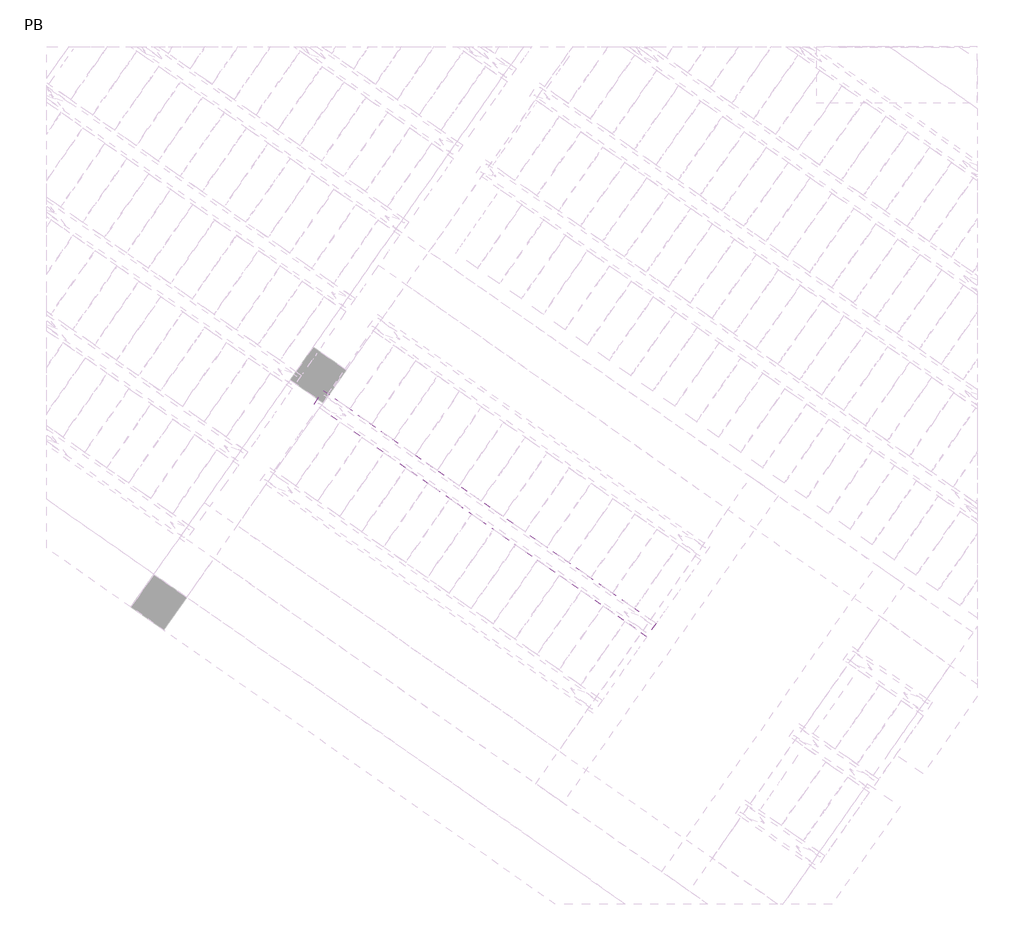
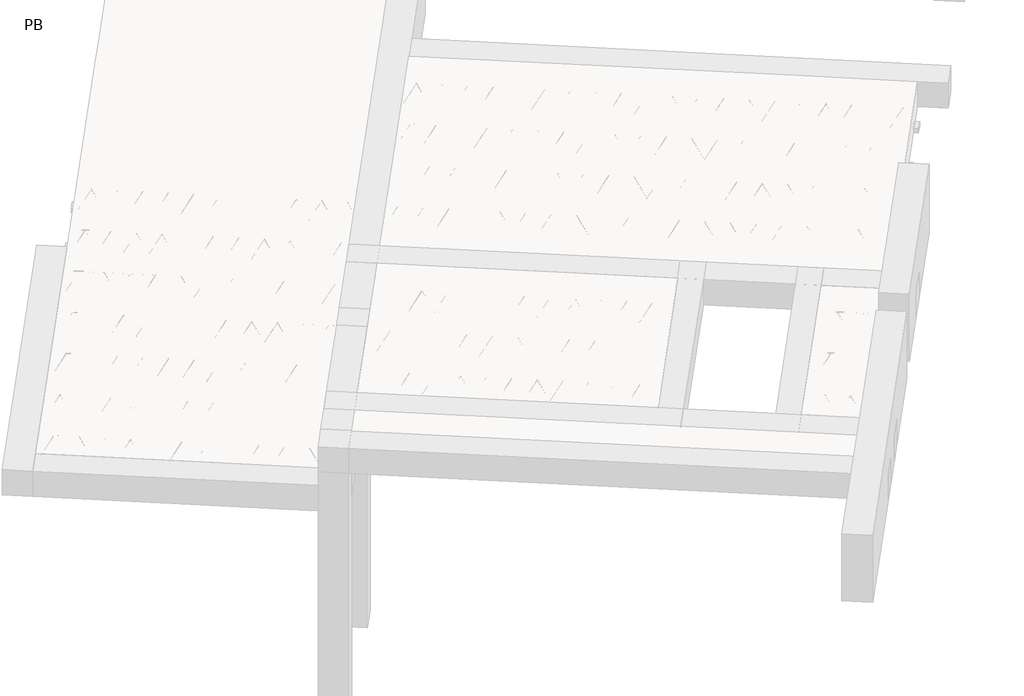
# One storey, part 10 of 56: 2 beams.
"""IFC4 building model written with IfcOpenShell, lengths in millimetres."""

from ifc_helpers import new_model, si_unit, point, frame, origin, origin_2d, place, context, project, spatial, polyline, circle_curve, trimmed, segment, composite_curve, outline, extrude, element, save

model = new_model("IFC4")

# Units and contexts
model_context = context("Model", 3, world=origin())
ifc_project = project(units=[si_unit("LENGTHUNIT", "METRE", prefix="MILLI")], contexts=[model_context])

# Site, building, storey
site = spatial("IfcSite", under=ifc_project)
building = spatial("IfcBuilding", under=site)
storey = spatial("IfcBuildingStorey", under=building, Name="PB", Elevation=95940.0)

# Beams
placement = place(None, origin())
element("IfcBeam", 1, at=placement, inside=storey, context=model_context, shape_type="SweptSolid", body=[
    extrude(outline(polyline([(2115.2328138, 2047.2811054), (2184.0619862, 2145.5793507), (4670.3395479, 404.6690598), (4601.5103755, 306.3708145), (2115.2328138, 2047.2811054)])), frame((0.0, 0.0, 99220.0), z_axis=(0.0, 0.0, 1.0), x_axis=(1.0, 0.0, 0.0)), (0.0, 0.0, 1.0), 50.0),
    extrude(outline(composite_curve([segment(trimmed(circle_curve(origin_2d(), 2.5), [point((-2.5, 0.0))], [point((2.5, 0.0))], False, "CARTESIAN"), True, "CONTINUOUS"), segment(trimmed(circle_curve(origin_2d(), 2.5), [point((2.5, 0.0))], [point((-2.5, 0.0))], False, "CARTESIAN"), True, "CONTINUOUS")], self_intersect=False)), frame((4595.6165609, 339.796298, 99245.0), z_axis=(-0.8191520442696126, 0.5735764363787226, 0.0), x_axis=(0.5735764363787226, 0.8191520442696126, 0.0)), (0.0, 0.0, 1.0), 2987.184468),
    extrude(outline(composite_curve([segment(trimmed(circle_curve(origin_2d(), 2.5), [point((-2.5, 0.0))], [point((2.5, 0.0))], False, "CARTESIAN"), True, "CONTINUOUS"), segment(trimmed(circle_curve(origin_2d(), 2.5), [point((2.5, 0.0))], [point((-2.5, 0.0))], False, "CARTESIAN"), True, "CONTINUOUS")], self_intersect=False)), frame((4457.6838382, 480.3257154, 99470.0), z_axis=(-0.8191520442696126, 0.5735764363787226, 0.0), x_axis=(0.5735764363787226, 0.8191520442696126, 0.0)), (0.0, 0.0, 1.0), 2600.0),
    extrude(outline(composite_curve([segment(trimmed(circle_curve(origin_2d(), 2.5), [point((-2.5, 0.0))], [point((2.5, 0.0))], False, "CARTESIAN"), True, "CONTINUOUS"), segment(trimmed(circle_curve(origin_2d(), 2.5), [point((2.5, 0.0))], [point((-2.5, 0.0))], False, "CARTESIAN"), True, "CONTINUOUS")], self_intersect=False)), frame((4498.4714898, 407.8180091, 99245.0), z_axis=(-0.3145304735701046, 0.38933448886848654, 0.8657304643902053), x_axis=(0.7778747638402499, 0.6284193279813057, 0.0)), (0.0, 0.0, 1.0), 259.8961331),
    extrude(outline(composite_curve([segment(trimmed(circle_curve(origin_2d(), 2.5), [point((2.5, -1e-07))], [point((-2.5, 0.0))], False, "CARTESIAN"), True, "CONTINUOUS"), segment(trimmed(circle_curve(origin_2d(), 2.5), [point((-2.5, 0.0))], [point((2.5, -1e-07))], False, "CARTESIAN"), True, "CONTINUOUS")], self_intersect=False)), frame((4293.6834788, 551.2121182, 99245.0), z_axis=(0.47343050384693375, -0.16240172737369005, 0.8657304643902051), x_axis=(-0.3244721671091268, -0.9458952440791246, 0.0)), (0.0, 0.0, 1.0), 259.8961331),
    extrude(outline(composite_curve([segment(trimmed(circle_curve(origin_2d(), 2.5), [point((-2.5, -1e-07))], [point((2.5000001, -1e-07))], False, "CARTESIAN"), True, "CONTINUOUS"), segment(trimmed(circle_curve(origin_2d(), 2.5), [point((2.5000001, -1e-07))], [point((-2.5, -1e-07))], False, "CARTESIAN"), True, "CONTINUOUS")], self_intersect=False)), frame((4293.6834787, 551.2121182, 99245.0), z_axis=(-0.3145304735701046, 0.38933448886848654, 0.8657304643902053), x_axis=(0.7778747638402499, 0.6284193279813057, 0.0)), (0.0, 0.0, 1.0), 259.8961331),
    extrude(outline(composite_curve([segment(trimmed(circle_curve(origin_2d(), 2.5), [point((2.5, 0.0))], [point((-2.5, 0.0))], False, "CARTESIAN"), True, "CONTINUOUS"), segment(trimmed(circle_curve(origin_2d(), 2.5), [point((-2.5, 0.0))], [point((2.5, 0.0))], False, "CARTESIAN"), True, "CONTINUOUS")], self_intersect=False)), frame((4088.8954677, 694.6062273, 99245.0), z_axis=(0.47343050384693375, -0.16240172737369005, 0.8657304643902051), x_axis=(-0.3244721671091268, -0.9458952440791246, 0.0)), (0.0, 0.0, 1.0), 259.8961331),
    extrude(outline(composite_curve([segment(trimmed(circle_curve(origin_2d(), 2.5), [point((-2.5, -1e-07))], [point((2.5, 0.0))], False, "CARTESIAN"), True, "CONTINUOUS"), segment(trimmed(circle_curve(origin_2d(), 2.5), [point((2.5, 0.0))], [point((-2.5, -1e-07))], False, "CARTESIAN"), True, "CONTINUOUS")], self_intersect=False)), frame((4088.8954677, 694.6062273, 99245.0), z_axis=(-0.3145304735701046, 0.38933448886848654, 0.8657304643902053), x_axis=(0.7778747638402499, 0.6284193279813057, 0.0)), (0.0, 0.0, 1.0), 259.8961331),
    extrude(outline(composite_curve([segment(trimmed(circle_curve(origin_2d(), 2.5), [point((2.5000001, 0.0))], [point((-2.5, 0.0))], False, "CARTESIAN"), True, "CONTINUOUS"), segment(trimmed(circle_curve(origin_2d(), 2.5), [point((-2.5, 0.0))], [point((2.5000001, 0.0))], False, "CARTESIAN"), True, "CONTINUOUS")], self_intersect=False)), frame((3884.1074566, 838.0003364, 99245.0), z_axis=(0.47343050384693375, -0.16240172737369005, 0.8657304643902051), x_axis=(-0.3244721671091268, -0.9458952440791246, 0.0)), (0.0, 0.0, 1.0), 259.8961331),
    extrude(outline(composite_curve([segment(trimmed(circle_curve(origin_2d(), 2.5), [point((-2.5, -1e-07))], [point((2.5, 0.0))], False, "CARTESIAN"), True, "CONTINUOUS"), segment(trimmed(circle_curve(origin_2d(), 2.5), [point((2.5, 0.0))], [point((-2.5, -1e-07))], False, "CARTESIAN"), True, "CONTINUOUS")], self_intersect=False)), frame((3884.1074566, 838.0003364, 99245.0), z_axis=(-0.3145304735701046, 0.38933448886848654, 0.8657304643902053), x_axis=(0.7778747638402499, 0.6284193279813057, 0.0)), (0.0, 0.0, 1.0), 259.8961331),
    extrude(outline(composite_curve([segment(trimmed(circle_curve(origin_2d(), 2.5), [point((2.5000001, 0.0))], [point((-2.5, 1e-07))], False, "CARTESIAN"), True, "CONTINUOUS"), segment(trimmed(circle_curve(origin_2d(), 2.5), [point((-2.5, 1e-07))], [point((2.5000001, 0.0))], False, "CARTESIAN"), True, "CONTINUOUS")], self_intersect=False)), frame((3679.3194455, 981.3944455, 99245.0), z_axis=(0.47343050384693375, -0.16240172737369005, 0.8657304643902051), x_axis=(-0.3244721671091268, -0.9458952440791246, 0.0)), (0.0, 0.0, 1.0), 259.8961331),
    extrude(outline(composite_curve([segment(trimmed(circle_curve(origin_2d(), 2.5), [point((-2.5, 0.0))], [point((2.5, 1e-07))], False, "CARTESIAN"), True, "CONTINUOUS"), segment(trimmed(circle_curve(origin_2d(), 2.5), [point((2.5, 1e-07))], [point((-2.5, 0.0))], False, "CARTESIAN"), True, "CONTINUOUS")], self_intersect=False)), frame((3679.3194457, 981.3944453, 99245.0), z_axis=(-0.3145304735701046, 0.38933448886848654, 0.8657304643902053), x_axis=(0.7778747638402499, 0.6284193279813057, 0.0)), (0.0, 0.0, 1.0), 259.8961331),
    extrude(outline(composite_curve([segment(trimmed(circle_curve(origin_2d(), 2.5), [point((2.5, 0.0))], [point((-2.5, 1e-07))], False, "CARTESIAN"), True, "CONTINUOUS"), segment(trimmed(circle_curve(origin_2d(), 2.5), [point((-2.5, 1e-07))], [point((2.5, 0.0))], False, "CARTESIAN"), True, "CONTINUOUS")], self_intersect=False)), frame((3474.5314346, 1124.7885544, 99245.0), z_axis=(0.47343050384693375, -0.16240172737369005, 0.8657304643902051), x_axis=(-0.3244721671091268, -0.9458952440791246, 0.0)), (0.0, 0.0, 1.0), 259.8961331),
    extrude(outline(composite_curve([segment(trimmed(circle_curve(origin_2d(), 2.5), [point((-2.5, 0.0))], [point((2.5000001, 0.0))], False, "CARTESIAN"), True, "CONTINUOUS"), segment(trimmed(circle_curve(origin_2d(), 2.5), [point((2.5000001, 0.0))], [point((-2.5, 0.0))], False, "CARTESIAN"), True, "CONTINUOUS")], self_intersect=False)), frame((3474.5314346, 1124.7885544, 99245.0), z_axis=(-0.3145304735701046, 0.38933448886848654, 0.8657304643902053), x_axis=(0.7778747638402499, 0.6284193279813057, 0.0)), (0.0, 0.0, 1.0), 259.8961331),
    extrude(outline(composite_curve([segment(trimmed(circle_curve(origin_2d(), 2.5), [point((2.5, 0.0))], [point((-2.5, 0.0))], False, "CARTESIAN"), True, "CONTINUOUS"), segment(trimmed(circle_curve(origin_2d(), 2.5), [point((-2.5, 0.0))], [point((2.5, 0.0))], False, "CARTESIAN"), True, "CONTINUOUS")], self_intersect=False)), frame((3269.7434236, 1268.1826635, 99245.0), z_axis=(0.47343050384693375, -0.16240172737369005, 0.8657304643902051), x_axis=(-0.3244721671091268, -0.9458952440791246, 0.0)), (0.0, 0.0, 1.0), 259.8961331),
    extrude(outline(composite_curve([segment(trimmed(circle_curve(origin_2d(), 2.5), [point((-2.5, 0.0))], [point((2.5, 0.0))], False, "CARTESIAN"), True, "CONTINUOUS"), segment(trimmed(circle_curve(origin_2d(), 2.5), [point((2.5, 0.0))], [point((-2.5, 0.0))], False, "CARTESIAN"), True, "CONTINUOUS")], self_intersect=False)), frame((3269.7434236, 1268.1826635, 99245.0), z_axis=(-0.3145304735701046, 0.38933448886848654, 0.8657304643902053), x_axis=(0.7778747638402499, 0.6284193279813057, 0.0)), (0.0, 0.0, 1.0), 259.8961331),
    extrude(outline(composite_curve([segment(trimmed(circle_curve(origin_2d(), 2.5), [point((2.5, 0.0))], [point((-2.5, 0.0))], False, "CARTESIAN"), True, "CONTINUOUS"), segment(trimmed(circle_curve(origin_2d(), 2.5), [point((-2.5, 0.0))], [point((2.5, 0.0))], False, "CARTESIAN"), True, "CONTINUOUS")], self_intersect=False)), frame((3064.9554125, 1411.5767726, 99245.0), z_axis=(0.47343050384693375, -0.16240172737369005, 0.8657304643902051), x_axis=(-0.3244721671091268, -0.9458952440791246, 0.0)), (0.0, 0.0, 1.0), 259.8961331),
    extrude(outline(composite_curve([segment(trimmed(circle_curve(origin_2d(), 2.5), [point((-2.5, 0.0))], [point((2.5, 0.0))], False, "CARTESIAN"), True, "CONTINUOUS"), segment(trimmed(circle_curve(origin_2d(), 2.5), [point((2.5, 0.0))], [point((-2.5, 0.0))], False, "CARTESIAN"), True, "CONTINUOUS")], self_intersect=False)), frame((3064.9554125, 1411.5767726, 99245.0), z_axis=(-0.3145304735701046, 0.38933448886848654, 0.8657304643902053), x_axis=(0.7778747638402499, 0.6284193279813057, 0.0)), (0.0, 0.0, 1.0), 259.8961331),
    extrude(outline(composite_curve([segment(trimmed(circle_curve(origin_2d(), 2.5), [point((2.5, 0.0))], [point((-2.5, 1e-07))], False, "CARTESIAN"), True, "CONTINUOUS"), segment(trimmed(circle_curve(origin_2d(), 2.5), [point((-2.5, 1e-07))], [point((2.5, 0.0))], False, "CARTESIAN"), True, "CONTINUOUS")], self_intersect=False)), frame((2860.1674014, 1554.9708817, 99245.0), z_axis=(0.47343050384693375, -0.16240172737369005, 0.8657304643902051), x_axis=(-0.3244721671091268, -0.9458952440791246, 0.0)), (0.0, 0.0, 1.0), 259.8961331),
    extrude(outline(composite_curve([segment(trimmed(circle_curve(origin_2d(), 2.5), [point((-2.5, 0.0))], [point((2.5000001, -1e-07))], False, "CARTESIAN"), True, "CONTINUOUS"), segment(trimmed(circle_curve(origin_2d(), 2.5), [point((2.5000001, -1e-07))], [point((-2.5, 0.0))], False, "CARTESIAN"), True, "CONTINUOUS")], self_intersect=False)), frame((2860.1674014, 1554.9708817, 99245.0), z_axis=(-0.3145304735701046, 0.38933448886848654, 0.8657304643902053), x_axis=(0.7778747638402499, 0.6284193279813057, 0.0)), (0.0, 0.0, 1.0), 259.8961331),
    extrude(outline(composite_curve([segment(trimmed(circle_curve(origin_2d(), 2.5), [point((2.5, 0.0))], [point((-2.5, 0.0))], False, "CARTESIAN"), True, "CONTINUOUS"), segment(trimmed(circle_curve(origin_2d(), 2.5), [point((-2.5, 0.0))], [point((2.5, 0.0))], False, "CARTESIAN"), True, "CONTINUOUS")], self_intersect=False)), frame((2655.3793904, 1698.3649908, 99245.0), z_axis=(0.47343050384693375, -0.16240172737369005, 0.8657304643902051), x_axis=(-0.3244721671091268, -0.9458952440791246, 0.0)), (0.0, 0.0, 1.0), 259.8961331),
    extrude(outline(composite_curve([segment(trimmed(circle_curve(origin_2d(), 2.5), [point((-2.5, 0.0))], [point((2.5, 0.0))], False, "CARTESIAN"), True, "CONTINUOUS"), segment(trimmed(circle_curve(origin_2d(), 2.5), [point((2.5, 0.0))], [point((-2.5, 0.0))], False, "CARTESIAN"), True, "CONTINUOUS")], self_intersect=False)), frame((2655.3793904, 1698.3649908, 99245.0), z_axis=(-0.3145304735701046, 0.38933448886848654, 0.8657304643902053), x_axis=(0.7778747638402499, 0.6284193279813057, 0.0)), (0.0, 0.0, 1.0), 259.8961331),
    extrude(outline(composite_curve([segment(trimmed(circle_curve(origin_2d(), 2.5), [point((2.5, 0.0))], [point((-2.5, 0.0))], False, "CARTESIAN"), True, "CONTINUOUS"), segment(trimmed(circle_curve(origin_2d(), 2.5), [point((-2.5, 0.0))], [point((2.5, 0.0))], False, "CARTESIAN"), True, "CONTINUOUS")], self_intersect=False)), frame((2450.5913793, 1841.7590999, 99245.0), z_axis=(0.47343050384693375, -0.16240172737369005, 0.8657304643902051), x_axis=(-0.3244721671091268, -0.9458952440791246, 0.0)), (0.0, 0.0, 1.0), 259.8961331),
    extrude(outline(composite_curve([segment(trimmed(circle_curve(origin_2d(), 2.5), [point((-2.5, 0.0))], [point((2.5, 0.0))], False, "CARTESIAN"), True, "CONTINUOUS"), segment(trimmed(circle_curve(origin_2d(), 2.5), [point((2.5, 0.0))], [point((-2.5, 0.0))], False, "CARTESIAN"), True, "CONTINUOUS")], self_intersect=False)), frame((2450.5913793, 1841.7590999, 99245.0), z_axis=(-0.3145304735701046, 0.38933448886848654, 0.8657304643902053), x_axis=(0.7778747638402499, 0.6284193279813057, 0.0)), (0.0, 0.0, 1.0), 259.8961331),
    extrude(outline(composite_curve([segment(trimmed(circle_curve(origin_2d(), 2.5), [point((2.5, 0.0))], [point((-2.5, 1e-07))], False, "CARTESIAN"), True, "CONTINUOUS"), segment(trimmed(circle_curve(origin_2d(), 2.5), [point((-2.5, 1e-07))], [point((2.5, 0.0))], False, "CARTESIAN"), True, "CONTINUOUS")], self_intersect=False)), frame((2245.8033682, 1985.153209, 99245.0), z_axis=(0.47343050384693375, -0.16240172737369005, 0.8657304643902051), x_axis=(-0.3244721671091268, -0.9458952440791246, 0.0)), (0.0, 0.0, 1.0), 259.8961331),
    extrude(outline(composite_curve([segment(trimmed(circle_curve(origin_2d(), 2.5), [point((-2.5, 0.0))], [point((2.5, 0.0))], False, "CARTESIAN"), True, "CONTINUOUS"), segment(trimmed(circle_curve(origin_2d(), 2.5), [point((2.5, 0.0))], [point((-2.5, 0.0))], False, "CARTESIAN"), True, "CONTINUOUS")], self_intersect=False)), frame((4636.9140643, 398.7752452, 99245.0), z_axis=(-0.8191520442696126, 0.5735764363787226, 0.0), x_axis=(0.5735764363787226, 0.8191520442696126, 0.0)), (0.0, 0.0, 1.0), 2987.184468),
    extrude(outline(composite_curve([segment(trimmed(circle_curve(origin_2d(), 2.5), [point((-2.5, 0.0))], [point((2.5, -1e-07))], False, "CARTESIAN"), True, "CONTINUOUS"), segment(trimmed(circle_curve(origin_2d(), 2.5), [point((2.5, -1e-07))], [point((-2.5, 0.0))], False, "CARTESIAN"), True, "CONTINUOUS")], self_intersect=False)), frame((4539.7689932, 466.7969563, 99245.0), z_axis=(-0.47343050384693375, 0.16240172737369005, 0.8657304643902051), x_axis=(0.3244721671091268, 0.9458952440791246, 0.0)), (0.0, 0.0, 1.0), 259.8961331),
    extrude(outline(composite_curve([segment(trimmed(circle_curve(origin_2d(), 2.5), [point((2.5, 1e-07))], [point((-2.5, 0.0))], False, "CARTESIAN"), True, "CONTINUOUS"), segment(trimmed(circle_curve(origin_2d(), 2.5), [point((-2.5, 0.0))], [point((2.5, 1e-07))], False, "CARTESIAN"), True, "CONTINUOUS")], self_intersect=False)), frame((4334.9809822, 610.1910654, 99245.0), z_axis=(0.3145304735701046, -0.38933448886848654, 0.8657304643902053), x_axis=(-0.7778747638402499, -0.6284193279813057, 0.0)), (0.0, 0.0, 1.0), 259.8961331),
    extrude(outline(composite_curve([segment(trimmed(circle_curve(origin_2d(), 2.5), [point((-2.5000001, 0.0))], [point((2.5, 0.0))], False, "CARTESIAN"), True, "CONTINUOUS"), segment(trimmed(circle_curve(origin_2d(), 2.5), [point((2.5, 0.0))], [point((-2.5000001, 0.0))], False, "CARTESIAN"), True, "CONTINUOUS")], self_intersect=False)), frame((4334.9809822, 610.1910654, 99245.0), z_axis=(-0.47343050384693375, 0.16240172737369005, 0.8657304643902051), x_axis=(0.3244721671091268, 0.9458952440791246, 0.0)), (0.0, 0.0, 1.0), 259.8961331),
    extrude(outline(composite_curve([segment(trimmed(circle_curve(origin_2d(), 2.5), [point((2.5, 0.0))], [point((-2.5, -1e-07))], False, "CARTESIAN"), True, "CONTINUOUS"), segment(trimmed(circle_curve(origin_2d(), 2.5), [point((-2.5, -1e-07))], [point((2.5, 0.0))], False, "CARTESIAN"), True, "CONTINUOUS")], self_intersect=False)), frame((4130.1929711, 753.5851744, 99245.0), z_axis=(0.3145304735701046, -0.38933448886848654, 0.8657304643902053), x_axis=(-0.7778747638402499, -0.6284193279813057, 0.0)), (0.0, 0.0, 1.0), 259.8961331),
    extrude(outline(composite_curve([segment(trimmed(circle_curve(origin_2d(), 2.5), [point((-2.5000001, 0.0))], [point((2.5, 0.0))], False, "CARTESIAN"), True, "CONTINUOUS"), segment(trimmed(circle_curve(origin_2d(), 2.5), [point((2.5, 0.0))], [point((-2.5000001, 0.0))], False, "CARTESIAN"), True, "CONTINUOUS")], self_intersect=False)), frame((4130.1929711, 753.5851745, 99245.0), z_axis=(-0.47343050384693375, 0.16240172737369005, 0.8657304643902051), x_axis=(0.3244721671091268, 0.9458952440791246, 0.0)), (0.0, 0.0, 1.0), 259.8961331),
    extrude(outline(composite_curve([segment(trimmed(circle_curve(origin_2d(), 2.5), [point((2.5, 0.0))], [point((-2.5, -1e-07))], False, "CARTESIAN"), True, "CONTINUOUS"), segment(trimmed(circle_curve(origin_2d(), 2.5), [point((-2.5, -1e-07))], [point((2.5, 0.0))], False, "CARTESIAN"), True, "CONTINUOUS")], self_intersect=False)), frame((3925.40496, 896.9792835, 99245.0), z_axis=(0.3145304735701046, -0.38933448886848654, 0.8657304643902053), x_axis=(-0.7778747638402499, -0.6284193279813057, 0.0)), (0.0, 0.0, 1.0), 259.8961331),
    extrude(outline(composite_curve([segment(trimmed(circle_curve(origin_2d(), 2.5), [point((-2.5, 0.0))], [point((2.5000001, 0.0))], False, "CARTESIAN"), True, "CONTINUOUS"), segment(trimmed(circle_curve(origin_2d(), 2.5), [point((2.5000001, 0.0))], [point((-2.5, 0.0))], False, "CARTESIAN"), True, "CONTINUOUS")], self_intersect=False)), frame((3925.40496, 896.9792835, 99245.0), z_axis=(-0.47343050384693375, 0.16240172737369005, 0.8657304643902051), x_axis=(0.3244721671091268, 0.9458952440791246, 0.0)), (0.0, 0.0, 1.0), 259.8961331),
    extrude(outline(composite_curve([segment(trimmed(circle_curve(origin_2d(), 2.5), [point((2.5, 0.0))], [point((-2.5, -1e-07))], False, "CARTESIAN"), True, "CONTINUOUS"), segment(trimmed(circle_curve(origin_2d(), 2.5), [point((-2.5, -1e-07))], [point((2.5, 0.0))], False, "CARTESIAN"), True, "CONTINUOUS")], self_intersect=False)), frame((3720.616949, 1040.3733926, 99245.0), z_axis=(0.3145304735701046, -0.38933448886848654, 0.8657304643902053), x_axis=(-0.7778747638402499, -0.6284193279813057, 0.0)), (0.0, 0.0, 1.0), 259.8961331),
    extrude(outline(composite_curve([segment(trimmed(circle_curve(origin_2d(), 2.5), [point((-2.5, 0.0))], [point((2.5, 0.0))], False, "CARTESIAN"), True, "CONTINUOUS"), segment(trimmed(circle_curve(origin_2d(), 2.5), [point((2.5, 0.0))], [point((-2.5, 0.0))], False, "CARTESIAN"), True, "CONTINUOUS")], self_intersect=False)), frame((3720.6169491, 1040.3733925, 99245.0), z_axis=(-0.47343050384693375, 0.16240172737369005, 0.8657304643902051), x_axis=(0.3244721671091268, 0.9458952440791246, 0.0)), (0.0, 0.0, 1.0), 259.8961331),
    extrude(outline(composite_curve([segment(trimmed(circle_curve(origin_2d(), 2.5), [point((2.5, 0.0))], [point((-2.5, 0.0))], False, "CARTESIAN"), True, "CONTINUOUS"), segment(trimmed(circle_curve(origin_2d(), 2.5), [point((-2.5, 0.0))], [point((2.5, 0.0))], False, "CARTESIAN"), True, "CONTINUOUS")], self_intersect=False)), frame((3515.8289381, 1183.7675016, 99245.0), z_axis=(0.3145304735701046, -0.38933448886848654, 0.8657304643902053), x_axis=(-0.7778747638402499, -0.6284193279813057, 0.0)), (0.0, 0.0, 1.0), 259.8961331),
    extrude(outline(composite_curve([segment(trimmed(circle_curve(origin_2d(), 2.5), [point((-2.5, 1e-07))], [point((2.5, 0.0))], False, "CARTESIAN"), True, "CONTINUOUS"), segment(trimmed(circle_curve(origin_2d(), 2.5), [point((2.5, 0.0))], [point((-2.5, 1e-07))], False, "CARTESIAN"), True, "CONTINUOUS")], self_intersect=False)), frame((3515.8289381, 1183.7675016, 99245.0), z_axis=(-0.47343050384693375, 0.16240172737369005, 0.8657304643902051), x_axis=(0.3244721671091268, 0.9458952440791246, 0.0)), (0.0, 0.0, 1.0), 259.8961331),
    extrude(outline(composite_curve([segment(trimmed(circle_curve(origin_2d(), 2.5), [point((2.5, 0.0))], [point((-2.5, 0.0))], False, "CARTESIAN"), True, "CONTINUOUS"), segment(trimmed(circle_curve(origin_2d(), 2.5), [point((-2.5, 0.0))], [point((2.5, 0.0))], False, "CARTESIAN"), True, "CONTINUOUS")], self_intersect=False)), frame((3311.040927, 1327.1616107, 99245.0), z_axis=(0.3145304735701046, -0.38933448886848654, 0.8657304643902053), x_axis=(-0.7778747638402499, -0.6284193279813057, 0.0)), (0.0, 0.0, 1.0), 259.8961331),
    extrude(outline(composite_curve([segment(trimmed(circle_curve(origin_2d(), 2.5), [point((-2.5, 0.0))], [point((2.5, 0.0))], False, "CARTESIAN"), True, "CONTINUOUS"), segment(trimmed(circle_curve(origin_2d(), 2.5), [point((2.5, 0.0))], [point((-2.5, 0.0))], False, "CARTESIAN"), True, "CONTINUOUS")], self_intersect=False)), frame((3311.040927, 1327.1616107, 99245.0), z_axis=(-0.47343050384693375, 0.16240172737369005, 0.8657304643902051), x_axis=(0.3244721671091268, 0.9458952440791246, 0.0)), (0.0, 0.0, 1.0), 259.8961331),
    extrude(outline(composite_curve([segment(trimmed(circle_curve(origin_2d(), 2.5), [point((2.5, 0.0))], [point((-2.5, 0.0))], False, "CARTESIAN"), True, "CONTINUOUS"), segment(trimmed(circle_curve(origin_2d(), 2.5), [point((-2.5, 0.0))], [point((2.5, 0.0))], False, "CARTESIAN"), True, "CONTINUOUS")], self_intersect=False)), frame((3106.2529159, 1470.5557198, 99245.0), z_axis=(0.3145304735701046, -0.38933448886848654, 0.8657304643902053), x_axis=(-0.7778747638402499, -0.6284193279813057, 0.0)), (0.0, 0.0, 1.0), 259.8961331),
    extrude(outline(composite_curve([segment(trimmed(circle_curve(origin_2d(), 2.5), [point((-2.5, 0.0))], [point((2.5, 0.0))], False, "CARTESIAN"), True, "CONTINUOUS"), segment(trimmed(circle_curve(origin_2d(), 2.5), [point((2.5, 0.0))], [point((-2.5, 0.0))], False, "CARTESIAN"), True, "CONTINUOUS")], self_intersect=False)), frame((3106.2529159, 1470.5557198, 99245.0), z_axis=(-0.47343050384693375, 0.16240172737369005, 0.8657304643902051), x_axis=(0.3244721671091268, 0.9458952440791246, 0.0)), (0.0, 0.0, 1.0), 259.8961331),
    extrude(outline(composite_curve([segment(trimmed(circle_curve(origin_2d(), 2.5), [point((2.5, 0.0))], [point((-2.5, 0.0))], False, "CARTESIAN"), True, "CONTINUOUS"), segment(trimmed(circle_curve(origin_2d(), 2.5), [point((-2.5, 0.0))], [point((2.5, 0.0))], False, "CARTESIAN"), True, "CONTINUOUS")], self_intersect=False)), frame((2901.4649049, 1613.9498289, 99245.0), z_axis=(0.3145304735701046, -0.38933448886848654, 0.8657304643902053), x_axis=(-0.7778747638402499, -0.6284193279813057, 0.0)), (0.0, 0.0, 1.0), 259.8961331),
    extrude(outline(composite_curve([segment(trimmed(circle_curve(origin_2d(), 2.5), [point((-2.5, 1e-07))], [point((2.5, 0.0))], False, "CARTESIAN"), True, "CONTINUOUS"), segment(trimmed(circle_curve(origin_2d(), 2.5), [point((2.5, 0.0))], [point((-2.5, 1e-07))], False, "CARTESIAN"), True, "CONTINUOUS")], self_intersect=False)), frame((2901.4649049, 1613.9498289, 99245.0), z_axis=(-0.47343050384693375, 0.16240172737369005, 0.8657304643902051), x_axis=(0.3244721671091268, 0.9458952440791246, 0.0)), (0.0, 0.0, 1.0), 259.8961331),
    extrude(outline(composite_curve([segment(trimmed(circle_curve(origin_2d(), 2.5), [point((2.5, 0.0))], [point((-2.5, 0.0))], False, "CARTESIAN"), True, "CONTINUOUS"), segment(trimmed(circle_curve(origin_2d(), 2.5), [point((-2.5, 0.0))], [point((2.5, 0.0))], False, "CARTESIAN"), True, "CONTINUOUS")], self_intersect=False)), frame((2696.6768938, 1757.343938, 99245.0), z_axis=(0.3145304735701046, -0.38933448886848654, 0.8657304643902053), x_axis=(-0.7778747638402499, -0.6284193279813057, 0.0)), (0.0, 0.0, 1.0), 259.8961331),
    extrude(outline(composite_curve([segment(trimmed(circle_curve(origin_2d(), 2.5), [point((-2.5, 0.0))], [point((2.5, 0.0))], False, "CARTESIAN"), True, "CONTINUOUS"), segment(trimmed(circle_curve(origin_2d(), 2.5), [point((2.5, 0.0))], [point((-2.5, 0.0))], False, "CARTESIAN"), True, "CONTINUOUS")], self_intersect=False)), frame((2696.6768938, 1757.343938, 99245.0), z_axis=(-0.47343050384693375, 0.16240172737369005, 0.8657304643902051), x_axis=(0.3244721671091268, 0.9458952440791246, 0.0)), (0.0, 0.0, 1.0), 259.8961331),
    extrude(outline(composite_curve([segment(trimmed(circle_curve(origin_2d(), 2.5), [point((2.5, 0.0))], [point((-2.5, 0.0))], False, "CARTESIAN"), True, "CONTINUOUS"), segment(trimmed(circle_curve(origin_2d(), 2.5), [point((-2.5, 0.0))], [point((2.5, 0.0))], False, "CARTESIAN"), True, "CONTINUOUS")], self_intersect=False)), frame((2491.8888827, 1900.7380471, 99245.0), z_axis=(0.3145304735701046, -0.38933448886848654, 0.8657304643902053), x_axis=(-0.7778747638402499, -0.6284193279813057, 0.0)), (0.0, 0.0, 1.0), 259.8961331),
    extrude(outline(composite_curve([segment(trimmed(circle_curve(origin_2d(), 2.5), [point((-2.5, 0.0))], [point((2.5, 0.0))], False, "CARTESIAN"), True, "CONTINUOUS"), segment(trimmed(circle_curve(origin_2d(), 2.5), [point((2.5, 0.0))], [point((-2.5, 0.0))], False, "CARTESIAN"), True, "CONTINUOUS")], self_intersect=False)), frame((2491.8888827, 1900.7380471, 99245.0), z_axis=(-0.47343050384693375, 0.16240172737369005, 0.8657304643902051), x_axis=(0.3244721671091268, 0.9458952440791246, 0.0)), (0.0, 0.0, 1.0), 259.8961331),
    extrude(outline(composite_curve([segment(trimmed(circle_curve(origin_2d(), 2.5), [point((2.5000001, -1e-07))], [point((-2.5, 0.0))], False, "CARTESIAN"), True, "CONTINUOUS"), segment(trimmed(circle_curve(origin_2d(), 2.5), [point((-2.5, 0.0))], [point((2.5000001, -1e-07))], False, "CARTESIAN"), True, "CONTINUOUS")], self_intersect=False)), frame((2287.1008717, 2044.1321562, 99245.0), z_axis=(0.3145304735701046, -0.38933448886848654, 0.8657304643902053), x_axis=(-0.7778747638402499, -0.6284193279813057, 0.0)), (0.0, 0.0, 1.0), 259.8961331),
])
element("IfcBeam", 2, at=placement, inside=storey, context=model_context, shape_type="SweptSolid", body=[
    extrude(outline(polyline([(2516.7363193, 2620.6875364), (2585.5654916, 2718.9857817), (5071.8430533, 978.0754908), (5003.013881, 879.7772455), (2516.7363193, 2620.6875364)])), frame((0.0, 0.0, 99220.0), z_axis=(0.0, 0.0, 1.0), x_axis=(1.0, 0.0, 0.0)), (0.0, 0.0, 1.0), 50.0),
])

save(model, "model.ifc")
